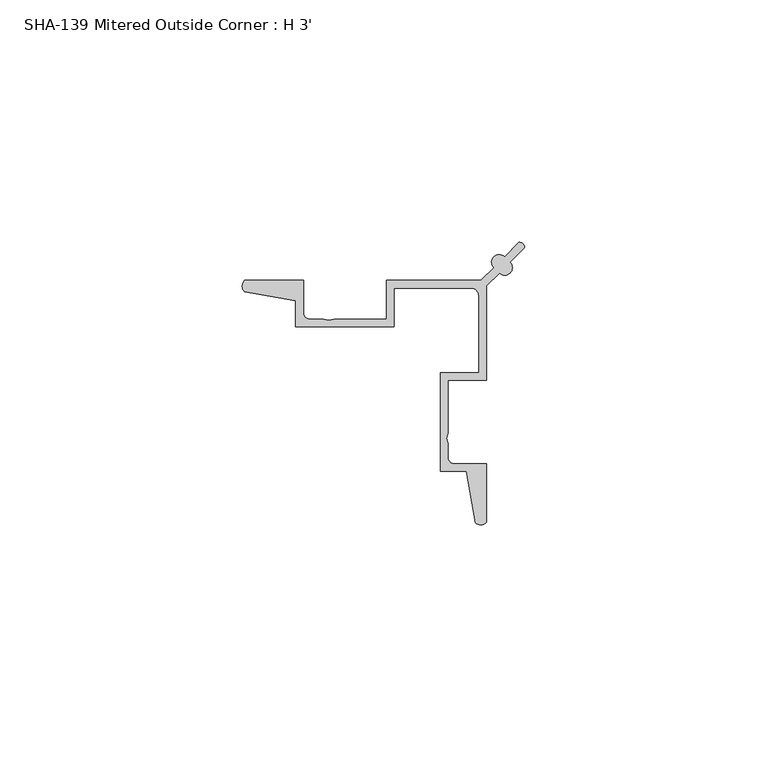
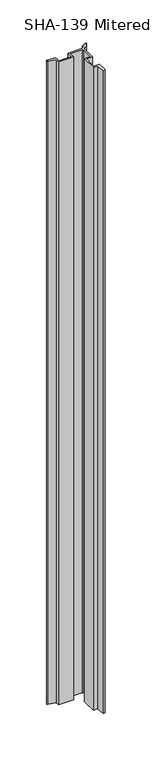
"""IFC4 building model written with IfcOpenShell, lengths in millimetres: proxy geometry, SHA-139 Mitered Outside Corner : H 3'."""

from ifc_helpers import new_model, si_unit, point, frame_2d, origin, origin_with_axes, place, context, project, spatial, polyline, circle_curve, trimmed, segment, composite_curve, outline, extrude, source, transform, mapped, element, save


def sha_139_mitered_outside_corner_h_3_ad261b96(model_context):
    return source(origin(), model_context, "Body", "SweptSolid", [
        extrude(outline(composite_curve([segment(trimmed(circle_curve(frame_2d((28.1028797, 28.1035081)), 1.0249588), [point((28.0100765, 29.1242569))], [point((29.1236285, 28.0107049))], False, "CARTESIAN"), True, "CONTINUOUS"), segment(polyline([(29.1236285, 28.0107049), (26.1511637, 25.0382402)]), True, "CONTINUOUS"), segment(trimmed(circle_curve(frame_2d((25.037612, 23.9246884)), 1.5748), [point((26.1511637, 25.0382402))], [point((23.9240602, 22.8111366))], False, "CARTESIAN"), True, "CONTINUOUS"), segment(polyline([(23.9240602, 22.8111366), (21.272022, 20.1590984), (21.272022, 0.6478504), (13.321822, 0.6478504), (13.321822, -10.2337631), (13.0613048, -11.2875223), (13.321822, -12.3412815), (13.321822, -15.2485706)]), True, "CONTINUOUS"), segment(trimmed(circle_curve(frame_2d((14.591822, -15.2485706)), 1.27), [point((13.321822, -15.2485706))], [point((14.591822, -16.5185706))], True, "CARTESIAN"), True, "CONTINUOUS"), segment(polyline([(14.591822, -16.5185706), (21.272022, -16.5185706), (21.272022, -28.6033738)]), True, "CONTINUOUS"), segment(trimmed(circle_curve(frame_2d((20.0793455, -27.5126161)), 1.6162393), [point((21.272022, -28.6033738))], [point((18.9506528, -28.6694576))], False, "CARTESIAN"), True, "CONTINUOUS"), segment(polyline([(18.9506528, -28.6694576), (17.139679, -18.0933706), (11.747022, -18.0933706), (11.747022, 2.2226504), (19.697222, 2.2226504), (19.697222, 18.1103504)]), True, "CONTINUOUS"), segment(trimmed(circle_curve(frame_2d((18.109722, 18.1103504)), 1.5875), [point((19.697222, 18.1103504))], [point((18.109722, 19.6978504))], True, "CARTESIAN"), True, "CONTINUOUS"), segment(polyline([(18.109722, 19.6978504), (2.222022, 19.6978504), (2.222022, 11.7476504), (-18.0939991, 11.7476504), (-18.0939991, 17.1403074), (-28.670086, 18.9512812)]), True, "CONTINUOUS"), segment(trimmed(circle_curve(frame_2d((-27.5132445, 20.0799739)), 1.6162393), [point((-28.670086, 18.9512812))], [point((-28.6040022, 21.2726504))], False, "CARTESIAN"), True, "CONTINUOUS"), segment(polyline([(-28.6040022, 21.2726504), (-16.5191991, 21.2726504), (-16.5191991, 14.5924504)]), True, "CONTINUOUS"), segment(trimmed(circle_curve(frame_2d((-15.2491991, 14.5924504)), 1.27), [point((-16.5191991, 14.5924504))], [point((-15.2491991, 13.3224504))], True, "CARTESIAN"), True, "CONTINUOUS"), segment(polyline([(-15.2491991, 13.3224504), (-12.3419099, 13.3224504), (-11.2881507, 13.0619332), (-10.2343915, 13.3224504), (0.647222, 13.3224504), (0.647222, 21.2726504), (20.15847, 21.2726504), (22.8105082, 23.9246886)]), True, "CONTINUOUS"), segment(trimmed(circle_curve(frame_2d((23.92406, 25.0382404)), 1.5748), [point((22.8105082, 23.9246886))], [point((25.0376117, 26.1517921))], False, "CARTESIAN"), True, "CONTINUOUS"), segment(polyline([(25.0376117, 26.1517921), (28.0100765, 29.1242569)]), True, "CONTINUOUS")], self_intersect=False)), origin_with_axes(), (0.0, 0.0, 1.0), 914.4),
    ])


if __name__ == "__main__":
    model = new_model("IFC4")
    model_context = context("Model", 3, world=origin())
    ifc_project = project(units=[si_unit("LENGTHUNIT", "METRE", prefix="MILLI")], contexts=[model_context])
    site = spatial("IfcSite", under=ifc_project)
    building = spatial("IfcBuilding", under=site)
    placement = place(None, origin())
    sha_139_mitered_outside_corner_h_3_shape = sha_139_mitered_outside_corner_h_3_ad261b96(model_context)
    element("IfcBuildingElementProxy", 1, Name="SHA-139 Mitered Outside Corner : H 3'", ObjectType="SHA-139 Mitered Outside Corner : H 3'", at=placement, inside=building, context=model_context, shape_type="MappedRepresentation", body=[
        mapped(sha_139_mitered_outside_corner_h_3_shape, transform((0.0, 0.0, 0.0), x_axis=(1.0, 0.0, 0.0), y_axis=(0.0, 1.0, 0.0), z_axis=(0.0, 0.0, 1.0))),
    ])
    save(model, "model.ifc")
